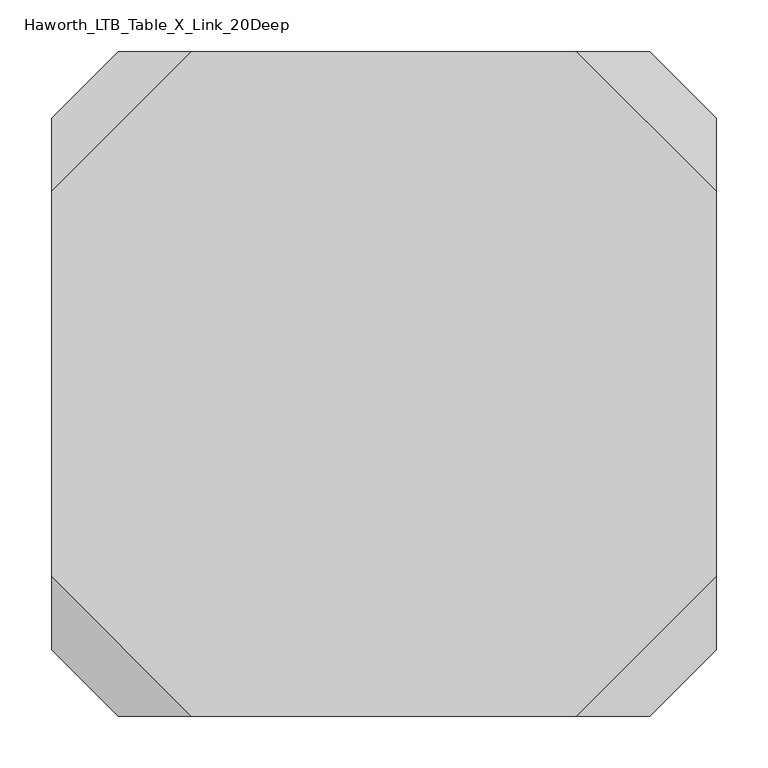
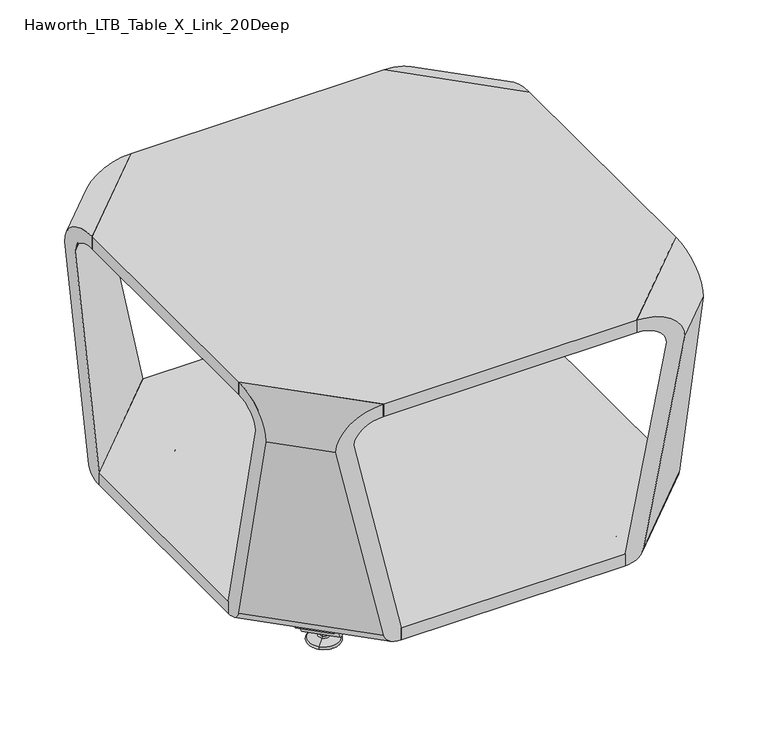
"""IFC4 building model written with IfcOpenShell, lengths in millimetres: furniture geometry, Haworth_LTB_Table_X_Link_20Deep."""

from ifc_helpers import new_model, si_unit, point, frame, frame_2d, origin, place, context, project, spatial, polyline, circle_curve, ellipse_curve, trimmed, segment, composite_curve, outline, extrude, source, transform, mapped, element, save
from ifc_brep_helpers import plane_surface, cylinder_surface, revolved_surface, advanced_brep


def haworth_ltb_table_x_link_20deep_5d3b9bbd(model_context):
    return source(origin(), model_context, "Body", "SolidModel", [
        extrude(outline(polyline([(123.855675, 689.2395615), (275.9606478, 841.3445342), (613.1005146, 841.3445342), (765.205675, 689.2393738), (765.205675, 352.0996981), (613.1005112, 199.9945342), (284.7619726, 199.9945342), (123.855675, 360.9008317), (123.855675, 689.2395615)])), frame((0.0, 0.0, 50.0000004), z_axis=(0.0, 0.0, 1.0), x_axis=(1.0, 0.0, 0.0)), (0.0, 0.0, 1.0), 18.9999985),
        extrude(outline(polyline([(123.855675, 334.8572138), (123.855675, 706.4818546), (258.7183546, 841.3445342), (630.3429954, 841.3445342), (765.205675, 706.4818546), (765.205675, 334.8572138), (630.3429954, 199.9945342), (258.7183546, 199.9945342), (123.855675, 334.8572138)])), frame((0.0, 0.0, 406.0000002), z_axis=(0.0, 0.0, 1.0), x_axis=(1.0, 0.0, 0.0)), (0.0, 0.0, 1.0), 19.4499998),
        advanced_brep(
        [(765.205675, 706.4818546, 425.45), (765.205675, 706.4818546, 406.0000002), (765.205675, 750.2911718, 376.1711523), (765.205675, 689.2394841, 68.9999989), (765.205675, 689.2394478, 50.0000004), (765.205675, 715.8480344, 66.3557108), (765.205675, 777.1925821, 375.0000029), (630.3429954, 841.3445342, 406.0000002), (630.3429954, 841.3445342, 425.45), (701.0537229, 841.3445342, 375.0000029), (639.7091752, 841.3445342, 66.3557108), (613.1005886, 841.3445342, 50.0000004), (613.1006249, 841.3445342, 68.9999989), (674.1523126, 841.3445342, 376.1711523)],
        [
            (0, 1),
            (1, 2, ellipse_curve(frame((765.205675, 706.4818526, 375.0000031), z_axis=(-1.0, 0.0, 0.0), x_axis=(0.0, 1.0, 0.0)), 43.8406163, 30.9999971)),
            (2, 3),
            (3, 4),
            (4, 5, ellipse_curve(frame((765.205675, 689.2394737, 69.000001), z_axis=(1.0, 0.0, 0.0), x_axis=(0.0, -1.0, 0.0)), 26.8700585, 19.0000006)),
            (5, 6),
            (6, 0, ellipse_curve(frame((765.205675, 705.6435015, 374.8604405), z_axis=(1.0, 0.0, 0.0), x_axis=(0.0, -1.0, 0.0)), 71.5493529, 50.5930326)),
            (7, 8),
            (8, 9, ellipse_curve(frame((629.5046423, 841.3445342, 374.8604405), z_axis=(0.0, 1.0, 0.0), x_axis=(1.0, 0.0, 0.0)), 71.5493529, 50.5930326)),
            (9, 10),
            (10, 11, ellipse_curve(frame((613.1006145, 841.3445342, 69.000001), z_axis=(0.0, 1.0, 0.0), x_axis=(1.0, 0.0, 0.0)), 26.8700585, 19.0000006)),
            (11, 12),
            (12, 13),
            (13, 7, ellipse_curve(frame((630.3429934, 841.3445342, 375.0000031), z_axis=(0.0, -1.0, 0.0), x_axis=(-1.0, 0.0, 0.0)), 43.8406163, 30.9999971)),
            (7, 1),
            (0, 8),
            (13, 2),
            (12, 3),
            (11, 4),
            (10, 5),
            (9, 6),
        ],
        [
            plane_surface(frame((765.205675, 916.3539092, 476.25), z_axis=(1.0, 0.0, 0.0), x_axis=(0.0, 0.0, -1.0))),
            plane_surface(frame((48.8463, 841.3445342, 476.25), z_axis=(0.0, 1.0, 0.0), x_axis=(0.0, 0.0, -1.0))),
            plane_surface(frame((823.4979209, 648.1896087, 425.45), z_axis=(-0.7071067811865491, -0.707106781186546, 0.0), x_axis=(-0.707106781186546, 0.7071067811865491, 0.0))),
            revolved_surface(polyline([(630.3429934161734, 885.1851505161733, 375.0000031), (809.0462913161731, 706.4818526161728, 375.0000031)]), (572.0507485, 899.6367791, 375.0000031), (-0.707106781186546, 0.7071067811865491, 0.0)),
            plane_surface(frame((845.4025795, 670.0942673, 376.1711523), z_axis=(-0.7002252753679965, -0.7002252753679934, 0.13917301272743787), x_axis=(-0.707106781186546, 0.7071067811865491, 0.0))),
            plane_surface(frame((814.8767357, 639.5684235, 68.9999989), z_axis=(-0.7071067811859026, -0.7071067811858995, 1.352248489364839e-06), x_axis=(-0.707106781186546, 0.7071067811865491, 0.0))),
            cylinder_surface(frame((563.4295591, 891.0155896, 69.000001), z_axis=(0.707106781186546, -0.7071067811865491, 0.0), x_axis=(0.7071067811865491, 0.707106781186546, 0.0)), 19.0000006),
            plane_surface(frame((828.1810108, 652.8726986, 66.3557108), z_axis=(0.7002252605744773, 0.700225260574474, -0.13917316158949414), x_axis=(-0.7071067811865458, 0.7071067811865492, 0.0))),
            cylinder_surface(frame((571.631573, 899.2176035, 374.8604405), z_axis=(0.707106781186546, -0.7071067811865491, 0.0), x_axis=(0.7071067811865491, 0.707106781186546, 0.0)), 50.5930326),
        ],
        [
            (0, [[1, 2, 3, 4, 5, 6, 7]]),
            (1, [[8, 9, 10, 11, 12, 13, 14]]),
            (2, [[-8, 15, -1, 16]]),
            (3, [[-14, 17, -2, -15]]),
            (4, [[-13, 18, -3, -17]]),
            (5, [[-12, 19, -4, -18]]),
            (6, [[-11, 20, -5, -19]]),
            (7, [[-10, 21, -6, -20]]),
            (8, [[-9, -16, -7, -21]]),
        ],
    ),
        advanced_brep(
        [(123.855675, 706.4818546, 406.0000002), (123.855675, 706.4818546, 425.45), (123.855675, 777.1925821, 375.0000029), (123.855675, 715.8480344, 66.3557108), (123.855675, 689.2394478, 50.0000004), (123.855675, 689.2394841, 68.9999989), (123.855675, 750.2911718, 376.1711523), (258.7183546, 841.3445342, 406.0000002), (258.7183546, 841.3445342, 425.45), (214.9090374, 841.3445342, 376.1711523), (275.9607252, 841.3445342, 68.9999989), (275.9607615, 841.3445342, 50.0000004), (249.3521749, 841.3445342, 66.3557108), (188.0076271, 841.3445342, 375.0000029)],
        [
            (0, 1),
            (1, 2, ellipse_curve(frame((123.855675, 705.6435015, 374.8604405), z_axis=(-1.0, 0.0, 0.0), x_axis=(0.0, -1.0, 0.0)), 71.5493529, 50.5930326)),
            (2, 3),
            (3, 4, ellipse_curve(frame((123.855675, 689.2394737, 69.000001), z_axis=(-1.0, 0.0, 0.0), x_axis=(0.0, -1.0, 0.0)), 26.8700585, 19.0000006)),
            (4, 5),
            (5, 6),
            (6, 0, ellipse_curve(frame((123.855675, 706.4818526, 375.0000031), z_axis=(1.0, 0.0, 0.0), x_axis=(0.0, 1.0, 0.0)), 43.8406163, 30.9999971)),
            (7, 8),
            (8, 1),
            (0, 7),
            (9, 7, ellipse_curve(frame((258.7183567, 841.3445342, 375.0000031), z_axis=(0.0, 1.0, 0.0), x_axis=(1.0, 0.0, 0.0)), 43.8406163, 30.9999971)),
            (6, 9),
            (10, 9),
            (5, 10),
            (11, 10),
            (4, 11),
            (12, 11, ellipse_curve(frame((275.9607356, 841.3445342, 69.000001), z_axis=(0.0, -1.0, 0.0), x_axis=(-1.0, 0.0, 0.0)), 26.8700585, 19.0000006)),
            (3, 12),
            (13, 12),
            (2, 13),
            (8, 13, ellipse_curve(frame((259.5567078, 841.3445342, 374.8604405), z_axis=(0.0, -1.0, 0.0), x_axis=(-1.0, 0.0, 0.0)), 71.5493529, 50.5930326)),
        ],
        [
            plane_surface(frame((123.855675, 124.9851592, 476.25), z_axis=(-1.0, 0.0, 0.0), x_axis=(0.0, 0.0, -1.0))),
            plane_surface(frame((65.5634291, 648.1896087, 406.0000002), z_axis=(0.7071067811865491, -0.707106781186546, 0.0), x_axis=(0.707106781186546, 0.7071067811865491, 0.0))),
            revolved_surface(polyline([(258.71835668382664, 885.1851505161732, 375.0000031), (80.01505873382709, 706.4818525661728, 375.0000031)]), (317.0106016, 899.6367791, 375.0000031), (0.707106781186546, 0.7071067811865491, 0.0)),
            plane_surface(frame((74.1846144, 639.5684235, 68.9999989), z_axis=(0.7002252753679965, -0.7002252753679933, 0.13917301272743782), x_axis=(0.7071067811865459, 0.7071067811865491, 0.0))),
            plane_surface(frame((74.1846326, 639.5684053, 50.0000004), z_axis=(0.7071067811859026, -0.7071067811858994, 1.352248489364839e-06), x_axis=(0.7071067811865459, 0.7071067811865491, 0.0))),
            cylinder_surface(frame((325.631791, 891.0155896, 69.000001), z_axis=(-0.707106781186546, -0.7071067811865491, 0.0), x_axis=(-0.7071067811865491, 0.707106781186546, 0.0)), 19.0000006),
            plane_surface(frame((30.2080654, 683.5449725, 375.0000029), z_axis=(-0.7002252605744772, 0.7002252605744741, -0.1391731615894943), x_axis=(0.707106781186546, 0.7071067811865491, 0.0))),
            cylinder_surface(frame((317.4297771, 899.2176035, 374.8604405), z_axis=(-0.707106781186546, -0.7071067811865491, 0.0), x_axis=(-0.7071067811865491, 0.707106781186546, 0.0)), 50.5930326),
            plane_surface(frame((48.8463, 841.3445342, 476.25), z_axis=(0.0, 1.0, 0.0), x_axis=(0.0, 0.0, -1.0))),
        ],
        [
            (0, [[1, 2, 3, 4, 5, 6, 7]]),
            (1, [[8, 9, -1, 10]]),
            (2, [[11, -10, -7, 12]]),
            (3, [[13, -12, -6, 14]]),
            (4, [[15, -14, -5, 16]]),
            (5, [[17, -16, -4, 18]]),
            (6, [[19, -18, -3, 20]]),
            (7, [[21, -20, -2, -9]]),
            (8, [[-8, -11, -13, -15, -17, -19, -21]]),
        ],
    ),
        advanced_brep(
        [(630.3429954, 199.9945342, 425.45), (630.3429954, 199.9945342, 406.0000002), (674.1523126, 199.9945342, 376.1711523), (613.1006249, 199.9945342, 68.9999989), (613.1005886, 199.9945342, 50.0000004), (639.7091752, 199.9945342, 66.3557108), (701.0537229, 199.9945342, 375.0000029), (765.205675, 334.8572138, 425.45), (765.205675, 334.8572138, 406.0000002), (765.205675, 291.0478966, 376.1711523), (765.205675, 352.0995843, 68.9999989), (765.205675, 352.0996207, 50.0000004), (765.205675, 325.4910341, 66.3557108), (765.205675, 264.1464863, 375.0000029)],
        [
            (0, 1),
            (1, 2, ellipse_curve(frame((630.3429934, 199.9945342, 375.0000031), z_axis=(0.0, 1.0, 0.0), x_axis=(-1.0, 0.0, 0.0)), 43.8406163, 30.9999971)),
            (2, 3),
            (3, 4),
            (4, 5, ellipse_curve(frame((613.1006145, 199.9945342, 69.000001), z_axis=(0.0, -1.0, 0.0), x_axis=(1.0, 0.0, 0.0)), 26.8700585, 19.0000006)),
            (5, 6),
            (6, 0, ellipse_curve(frame((629.5046423, 199.9945342, 374.8604405), z_axis=(0.0, -1.0, 0.0), x_axis=(1.0, 0.0, 0.0)), 71.5493529, 50.5930326)),
            (0, 7),
            (7, 8),
            (8, 1),
            (8, 9, ellipse_curve(frame((765.205675, 334.8572159, 375.0000031), z_axis=(1.0, 0.0, 0.0), x_axis=(0.0, -1.0, 0.0)), 43.8406163, 30.9999971)),
            (9, 2),
            (9, 10),
            (10, 3),
            (10, 11),
            (11, 4),
            (11, 12, ellipse_curve(frame((765.205675, 352.0995948, 69.000001), z_axis=(-1.0, 0.0, 0.0), x_axis=(0.0, 1.0, 0.0)), 26.8700585, 19.0000006)),
            (12, 5),
            (12, 13),
            (13, 6),
            (13, 7, ellipse_curve(frame((765.205675, 335.695567, 374.8604405), z_axis=(-1.0, 0.0, 0.0), x_axis=(0.0, 1.0, 0.0)), 71.5493529, 50.5930326)),
        ],
        [
            plane_surface(frame((915.224425, 199.9945342, 476.25), z_axis=(0.0, -1.0, 0.0), x_axis=(0.0, 0.0, -1.0))),
            plane_surface(frame((823.4979209, 393.1494597, 406.0000002), z_axis=(-0.707106781186549, 0.7071067811865461, 0.0), x_axis=(-0.7071067811865461, -0.707106781186549, 0.0))),
            revolved_surface(polyline([(630.3429933661733, 156.15391793382682, 375.0000031), (809.0462913161731, 334.8572158838273, 375.0000031)]), (572.0507485, 141.7022894, 375.0000031), (-0.707106781186546, -0.7071067811865491, 0.0)),
            plane_surface(frame((814.8767357, 401.770645, 68.9999989), z_axis=(-0.7002252753679965, 0.7002252753679933, 0.13917301272743776), x_axis=(-0.7071067811865459, -0.7071067811865491, 0.0))),
            plane_surface(frame((814.8767175, 401.7706631, 50.0000004), z_axis=(-0.7071067811859026, 0.7071067811858995, 1.3522484888926165e-06), x_axis=(-0.707106781186546, -0.7071067811865491, 0.0))),
            cylinder_surface(frame((563.4295591, 150.3234788, 69.000001), z_axis=(0.707106781186546, 0.7071067811865491, 0.0), x_axis=(0.7071067811865491, -0.707106781186546, 0.0)), 19.0000006),
            plane_surface(frame((858.8532847, 357.794096, 375.0000029), z_axis=(0.7002252605744772, -0.7002252605744741, -0.13917316158949425), x_axis=(-0.707106781186546, -0.7071067811865491, 0.0))),
            cylinder_surface(frame((571.631573, 142.1214649, 374.8604405), z_axis=(0.707106781186546, 0.7071067811865491, 0.0), x_axis=(0.7071067811865491, -0.707106781186546, 0.0)), 50.5930326),
            plane_surface(frame((765.205675, 916.3539092, 476.25), z_axis=(1.0, 0.0, 0.0), x_axis=(0.0, 0.0, -1.0))),
        ],
        [
            (0, [[1, 2, 3, 4, 5, 6, 7]]),
            (1, [[-1, 8, 9, 10]]),
            (2, [[-2, -10, 11, 12]]),
            (3, [[-3, -12, 13, 14]]),
            (4, [[-4, -14, 15, 16]]),
            (5, [[-5, -16, 17, 18]]),
            (6, [[-6, -18, 19, 20]]),
            (7, [[-7, -20, 21, -8]]),
            (8, [[-9, -21, -19, -17, -15, -13, -11]]),
        ],
    ),
        advanced_brep(
        [(258.7183546, 199.9945342, 425.45), (258.7183546, 199.9945342, 406.0000002), (123.855675, 334.8572138, 406.0000002), (123.855675, 334.8572138, 425.45), (214.9090374, 199.9945342, 376.1711523), (123.855675, 291.0478966, 376.1711523), (284.7619726, 199.9945342, 68.9999989), (123.855675, 360.9008317, 68.9999989), (284.7619726, 199.9945342, 49.9999749), (123.855675, 360.9008317, 49.9999749), (258.153386, 199.9945342, 66.3557108), (123.855675, 334.2922451, 66.3557108), (188.0076271, 199.9945342, 375.0000029), (123.855675, 264.1464863, 375.0000029)],
        [
            (0, 1),
            (1, 2),
            (2, 3),
            (3, 0),
            (1, 4, ellipse_curve(frame((258.7183567, 199.9945342, 375.0000031), z_axis=(0.0, -1.0, 0.0), x_axis=(1.0, 0.0, 0.0)), 43.8406163, 30.9999971)),
            (4, 5),
            (5, 2, ellipse_curve(frame((123.855675, 334.8572159, 375.0000031), z_axis=(-1.0, 0.0, 0.0), x_axis=(0.0, -1.0, 0.0)), 43.8406163, 30.9999971)),
            (4, 6),
            (6, 7),
            (7, 5),
            (6, 8),
            (8, 9),
            (9, 7),
            (8, 10, ellipse_curve(frame((284.761983, 199.9945342, 69.000001), z_axis=(0.0, 1.0, 0.0), x_axis=(-1.0, 0.0, 0.0)), 26.8700945, 19.000026)),
            (10, 11),
            (11, 9, ellipse_curve(frame((123.855675, 360.9008422, 69.000001), z_axis=(1.0, 0.0, 0.0), x_axis=(0.0, 1.0, 0.0)), 26.8700945, 19.000026)),
            (10, 12),
            (12, 13),
            (13, 11),
            (12, 0, ellipse_curve(frame((259.5567078, 199.9945342, 374.8604405), z_axis=(0.0, 1.0, 0.0), x_axis=(-1.0, 0.0, 0.0)), 71.5493529, 50.5930326)),
            (3, 13, ellipse_curve(frame((123.855675, 335.695567, 374.8604405), z_axis=(1.0, 0.0, 0.0), x_axis=(0.0, 1.0, 0.0)), 71.5493529, 50.5930326)),
        ],
        [
            plane_surface(frame((65.5634291, 393.1494597, 425.45), z_axis=(0.7071067811865491, 0.7071067811865459, 0.0), x_axis=(0.7071067811865459, -0.7071067811865491, 0.0))),
            revolved_surface(polyline([(258.7183567338267, 156.15391793382685, 375.0000031), (80.01505873382703, 334.85721593382726, 375.0000031)]), (317.0106016, 141.7022894, 375.0000031), (0.707106781186546, -0.7071067811865491, 0.0)),
            plane_surface(frame((43.6587705, 371.2448011, 376.1711523), z_axis=(0.6981384941053858, 0.6981384941053826, 0.15876172742992242), x_axis=(0.7071067811865459, -0.7071067811865491, 0.0))),
            plane_surface(frame((78.5852381, 406.1712687, 68.9999989), z_axis=(0.7071067811865492, 0.7071067811865458, 0.0), x_axis=(0.7071067811865458, -0.7071067811865492, 0.0))),
            cylinder_surface(frame((330.0324147, 154.7241025, 69.000001), z_axis=(-0.707106781186546, 0.7071067811865491, 0.0), x_axis=(-0.7071067811865491, -0.707106781186546, 0.0)), 19.000026),
            plane_surface(frame((65.2809448, 392.8669754, 66.3557108), z_axis=(-0.6981490657558722, -0.6981490657558691, -0.15866872397675041), x_axis=(0.707106781186546, -0.7071067811865491, 0.0))),
            cylinder_surface(frame((317.4297771, 142.1214649, 374.8604405), z_axis=(-0.707106781186546, 0.7071067811865491, 0.0), x_axis=(-0.7071067811865491, -0.707106781186546, 0.0)), 50.5930326),
            plane_surface(frame((915.224425, 199.9945342, 476.25), z_axis=(0.0, -1.0, 0.0), x_axis=(0.0, 0.0, -1.0))),
            plane_surface(frame((123.855675, 124.9851592, 476.25), z_axis=(-1.0, 0.0, 0.0), x_axis=(0.0, 0.0, -1.0))),
        ],
        [
            (0, [[1, 2, 3, 4]]),
            (1, [[5, 6, 7, -2]]),
            (2, [[8, 9, 10, -6]]),
            (3, [[11, 12, 13, -9]]),
            (4, [[14, 15, 16, -12]]),
            (5, [[17, 18, 19, -15]]),
            (6, [[20, -4, 21, -18]]),
            (7, [[-1, -20, -17, -14, -11, -8, -5]]),
            (8, [[-3, -7, -10, -13, -16, -19, -21]]),
        ],
    ),
        advanced_brep(
        [(239.0054742, 315.0121224, 7.8133431), (232.2702821, 308.2769303, 7.8133431), (229.9834824, 305.9901306, 7.8133431), (241.2922739, 317.2989221, 7.8133431), (220.1247494, 296.1313976, 4.0775), (251.1510069, 327.1576551, 4.0775), (220.4150529, 296.4217012, 0.0), (250.8607033, 326.8673516, 0.0), (235.6378781, 311.6445264, 0.0), (235.6378781, 311.6445264, 50.0000004), (232.2702821, 308.2769303, 50.0000004), (239.0054742, 315.0121224, 50.0000004)],
        [
            (0, 1, circle_curve(frame((235.6378781, 311.6445264, 7.8133431), z_axis=(0.0, 0.0, -1.0), x_axis=(-0.7071067811865458, -0.7071067811865493, 0.0)), 4.7625)),
            (1, 2),
            (2, 3, circle_curve(frame((235.6378781, 311.6445264, 7.8133431), z_axis=(0.0, 0.0, 1.0), x_axis=(-0.7071067811865458, -0.7071067811865493, 0.0)), 7.9965232)),
            (3, 0),
            (1, 0, circle_curve(frame((235.6378781, 311.6445264, 7.8133431), z_axis=(0.0, 0.0, -1.0), x_axis=(-0.7071067811865458, -0.7071067811865493, 0.0)), 4.7625)),
            (3, 2, circle_curve(frame((235.6378781, 311.6445264, 7.8133431), z_axis=(0.0, 0.0, 1.0), x_axis=(-0.7071067811865458, -0.7071067811865493, 0.0)), 7.9965232)),
            (2, 4),
            (4, 5, circle_curve(frame((235.6378781, 311.6445264, 4.0775), z_axis=(0.0, 0.0, 1.0), x_axis=(-0.7071067811865458, -0.7071067811865493, 0.0)), 21.9388771)),
            (5, 3),
            (5, 4, circle_curve(frame((235.6378781, 311.6445264, 4.0775), z_axis=(0.0, 0.0, 1.0), x_axis=(-0.7071067811865458, -0.7071067811865493, 0.0)), 21.9388771)),
            (4, 6, circle_curve(frame((220.5046942, 296.5113425, 2.0721829), z_axis=(0.7071067811865493, -0.7071067811865458, 0.0), x_axis=(0.7071067811865458, 0.7071067811865493, 0.0)), 2.0760571)),
            (6, 7, circle_curve(frame((235.6378781, 311.6445264, 0.0), z_axis=(0.0, 0.0, 1.0), x_axis=(-0.7071067811865458, -0.7071067811865493, 0.0)), 21.5283258)),
            (7, 5, circle_curve(frame((250.771062, 326.7777103, 2.0721829), z_axis=(0.707106781186547, -0.7071067811865481, 0.0), x_axis=(-0.7071067811865481, -0.707106781186547, 0.0)), 2.0760571)),
            (7, 6, circle_curve(frame((235.6378781, 311.6445264, 0.0), z_axis=(0.0, 0.0, 1.0), x_axis=(-0.7071067811865458, -0.7071067811865493, 0.0)), 21.5283258)),
            (6, 8),
            (8, 7),
            (9, 10),
            (10, 11, circle_curve(frame((235.6378781, 311.6445264, 50.0000004), z_axis=(0.0, 0.0, 1.0), x_axis=(-0.7071067811865458, -0.7071067811865493, 0.0)), 4.7625)),
            (11, 9),
            (11, 10, circle_curve(frame((235.6378781, 311.6445264, 50.0000004), z_axis=(0.0, 0.0, 1.0), x_axis=(-0.7071067811865458, -0.7071067811865493, 0.0)), 4.7625)),
            (10, 1),
            (0, 11),
        ],
        [
            plane_surface(frame((235.6378781, 311.6445264, 7.8133431), z_axis=(0.0, 0.0, 1.0), x_axis=(-0.7071067811865458, -0.7071067811865493, 0.0))),
            revolved_surface(polyline([(220.1247494, 296.1313976, 4.0775), (229.9834824, 305.9901306, 7.8133431)]), (235.6378781, 311.6445264, 0.0), (0.0, 0.0, 1.0)),
            revolved_surface(trimmed(ellipse_curve(frame((220.5046942, 296.5113425, 2.0721829), z_axis=(-0.7071067811865493, 0.7071067811865458, 0.0), x_axis=(0.7071067811865458, 0.7071067811865493, 0.0)), 2.0760571, 2.0760571), [point((220.4150529, 296.4217012, 0.0))], [point((220.1247494, 296.1313976, 4.0775))], True, "CARTESIAN"), (235.6378781, 311.6445264, 0.0), (0.0, 0.0, 1.0)),
            plane_surface(frame((235.6378781, 311.6445264, 0.0), z_axis=(0.0, 0.0, -1.0), x_axis=(-0.7071067811865458, -0.7071067811865493, 0.0))),
            plane_surface(frame((235.6378781, 311.6445264, 50.0000004), z_axis=(0.0, 0.0, 1.0), x_axis=(-0.7071067811865458, -0.7071067811865493, 0.0))),
            cylinder_surface(frame((235.6378781, 311.6445264, 0.0), z_axis=(0.0, 0.0, 1.0), x_axis=(-0.7071067811865458, -0.7071067811865493, 0.0)), 4.7625),
        ],
        [
            (0, [[1, 2, 3, 4]]),
            (0, [[5, -4, 6, -2]]),
            (1, [[-3, 7, 8, 9]]),
            (1, [[-6, -9, 10, -7]]),
            (2, [[-8, 11, 12, 13]]),
            (2, [[-10, -13, 14, -11]]),
            (3, [[-12, 15, 16]]),
            (3, [[-14, -16, -15]]),
            (4, [[17, 18, 19]]),
            (4, [[-19, 20, -17]]),
            (5, [[-18, 21, -1, 22]]),
            (5, [[-20, -22, -5, -21]]),
        ],
    ),
        extrude(outline(composite_curve([segment(polyline([(9.310002, 9.3100019), (9.310002, 19.1875394)]), True, "CONTINUOUS"), segment(trimmed(circle_curve(frame_2d((0.0, 19.1875394)), 9.310002), [point((9.310002, 19.1875394))], [point((0.7937553, 28.4636425))], True, "CARTESIAN"), True, "CONTINUOUS"), segment(polyline([(0.7937553, 28.4636425), (-6.9117032, 29.1229979)]), True, "CONTINUOUS"), segment(trimmed(circle_curve(frame_2d((-4.8241067, 43.9770199)), 15.000001), [point((-6.9117032, 29.1229979))], [point((-19.8241077, 43.9770199))], False, "CARTESIAN"), True, "CONTINUOUS"), segment(polyline([(-19.8241077, 43.9770199), (-19.8241077, 59.4425545), (-14.1341071, 59.4425545), (-14.1341071, 43.9770213)]), True, "CONTINUOUS"), segment(trimmed(circle_curve(frame_2d((-4.8241051, 43.9770213)), 9.310002), [point((-14.1341071, 43.9770213))], [point((-6.1198051, 34.7576234))], True, "CARTESIAN"), True, "CONTINUOUS"), segment(polyline([(-6.1198051, 34.7576234), (1.7775308, 34.0818491)]), True, "CONTINUOUS"), segment(trimmed(circle_curve(frame_2d((1.6e-06, 19.1875408)), 15.000001), [point((1.7775308, 34.0818491))], [point((15.0000026, 19.1875408))], False, "CARTESIAN"), True, "CONTINUOUS"), segment(polyline([(15.0000026, 19.1875408), (15.0000026, 9.3100005)]), True, "CONTINUOUS"), segment(trimmed(circle_curve(frame_2d((1.6e-06, 9.3100005)), 15.000001), [point((15.0000026, 9.3100005))], [point((1.7775308, -5.5843078))], False, "CARTESIAN"), True, "CONTINUOUS"), segment(polyline([(1.7775308, -5.5843078), (-6.1198051, -6.2600821)]), True, "CONTINUOUS"), segment(trimmed(circle_curve(frame_2d((-4.8241051, -15.47948)), 9.310002), [point((-6.1198051, -6.2600821))], [point((-14.1341071, -15.47948))], True, "CARTESIAN"), True, "CONTINUOUS"), segment(polyline([(-14.1341071, -15.47948), (-14.1341071, -30.9450132), (-19.8241077, -30.9450132), (-19.8241077, -15.4794786)]), True, "CONTINUOUS"), segment(trimmed(circle_curve(frame_2d((-4.8241067, -15.4794786)), 15.000001), [point((-19.8241077, -15.4794786))], [point((-6.9117032, -0.6254566))], False, "CARTESIAN"), True, "CONTINUOUS"), segment(polyline([(-6.9117032, -0.6254566), (0.7937553, 0.0338988)]), True, "CONTINUOUS"), segment(trimmed(circle_curve(frame_2d((0.0, 9.3100019)), 9.310002), [point((0.7937553, 0.0338988))], [point((9.310002, 9.3100019))], True, "CARTESIAN"), True, "CONTINUOUS")], self_intersect=False)), frame((263.6737927, 303.7594165, 30.0000023), z_axis=(-0.7071067811865467, 0.7071067811865483, 0.0), x_axis=(0.0, 0.0, -1.0)), (0.0, 0.0, 1.0), 50.8),
        advanced_brep(
        [(647.7690762, 317.2989221, 7.8133431), (659.0778677, 305.9901306, 7.8133431), (656.791068, 308.2769303, 7.8133431), (650.0558759, 315.0121224, 7.8133431), (637.9103432, 327.1576551, 4.0775), (668.9366007, 296.1313976, 4.0775), (638.2006468, 326.8673516, 0.0), (668.6462971, 296.4217012, 0.0), (653.4234719, 311.6445264, 0.0), (650.0558759, 315.0121224, 50.0000004), (656.791068, 308.2769303, 50.0000004), (653.4234719, 311.6445264, 50.0000004)],
        [
            (0, 1, circle_curve(frame((653.4234719, 311.6445264, 7.8133431), z_axis=(0.0, 0.0, 1.0), x_axis=(0.7071067811865458, -0.7071067811865493, 0.0)), 7.9965232)),
            (1, 2),
            (2, 3, circle_curve(frame((653.4234719, 311.6445264, 7.8133431), z_axis=(0.0, 0.0, -1.0), x_axis=(0.7071067811865458, -0.7071067811865493, 0.0)), 4.7625)),
            (3, 0),
            (1, 0, circle_curve(frame((653.4234719, 311.6445264, 7.8133431), z_axis=(0.0, 0.0, 1.0), x_axis=(0.7071067811865458, -0.7071067811865493, 0.0)), 7.9965232)),
            (3, 2, circle_curve(frame((653.4234719, 311.6445264, 7.8133431), z_axis=(0.0, 0.0, -1.0), x_axis=(0.7071067811865458, -0.7071067811865493, 0.0)), 4.7625)),
            (4, 5, circle_curve(frame((653.4234719, 311.6445264, 4.0775), z_axis=(0.0, 0.0, 1.0), x_axis=(0.7071067811865458, -0.7071067811865493, 0.0)), 21.9388771)),
            (5, 1),
            (0, 4),
            (5, 4, circle_curve(frame((653.4234719, 311.6445264, 4.0775), z_axis=(0.0, 0.0, 1.0), x_axis=(0.7071067811865458, -0.7071067811865493, 0.0)), 21.9388771)),
            (6, 7, circle_curve(frame((653.4234719, 311.6445264, 0.0), z_axis=(0.0, 0.0, 1.0), x_axis=(0.7071067811865458, -0.7071067811865493, 0.0)), 21.5283258)),
            (7, 5, circle_curve(frame((668.5566558, 296.5113425, 2.0721829), z_axis=(-0.7071067811865493, -0.7071067811865458, 0.0), x_axis=(-0.7071067811865458, 0.7071067811865493, 0.0)), 2.0760571)),
            (4, 6, circle_curve(frame((638.2902881, 326.7777103, 2.0721829), z_axis=(-0.707106781186547, -0.7071067811865481, 0.0), x_axis=(0.7071067811865481, -0.707106781186547, 0.0)), 2.0760571)),
            (7, 6, circle_curve(frame((653.4234719, 311.6445264, 0.0), z_axis=(0.0, 0.0, 1.0), x_axis=(0.7071067811865458, -0.7071067811865493, 0.0)), 21.5283258)),
            (8, 7),
            (6, 8),
            (9, 10, circle_curve(frame((653.4234719, 311.6445264, 50.0000004), z_axis=(0.0, 0.0, 1.0), x_axis=(0.7071067811865458, -0.7071067811865493, 0.0)), 4.7625)),
            (10, 11),
            (11, 9),
            (10, 9, circle_curve(frame((653.4234719, 311.6445264, 50.0000004), z_axis=(0.0, 0.0, 1.0), x_axis=(0.7071067811865458, -0.7071067811865493, 0.0)), 4.7625)),
            (2, 10),
            (9, 3),
        ],
        [
            plane_surface(frame((653.4234719, 311.6445264, 7.8133431), z_axis=(0.0, 0.0, 1.0), x_axis=(0.7071067811865458, -0.7071067811865493, 0.0))),
            revolved_surface(polyline([(659.0778677, 305.9901306, 7.8133431), (668.9366007, 296.1313976, 4.0775)]), (653.4234719, 311.6445264, 0.0), (0.0, 0.0, -1.0)),
            revolved_surface(trimmed(ellipse_curve(frame((668.5566558, 296.5113425, 2.0721829), z_axis=(0.7071067811865493, 0.7071067811865458, 0.0), x_axis=(-0.7071067811865458, 0.7071067811865493, 0.0)), 2.0760571, 2.0760571), [point((668.9366007, 296.1313976, 4.0775))], [point((668.6462971, 296.4217012, 0.0))], True, "CARTESIAN"), (653.4234719, 311.6445264, 0.0), (0.0, 0.0, -1.0)),
            plane_surface(frame((653.4234719, 311.6445264, 0.0), z_axis=(0.0, 0.0, -1.0), x_axis=(0.7071067811865458, -0.7071067811865493, 0.0))),
            plane_surface(frame((653.4234719, 311.6445264, 50.0000004), z_axis=(0.0, 0.0, 1.0), x_axis=(0.7071067811865458, -0.7071067811865493, 0.0))),
            cylinder_surface(frame((653.4234719, 311.6445264, 0.0), z_axis=(0.0, 0.0, -1.0), x_axis=(0.7071067811865458, -0.7071067811865493, 0.0)), 4.7625),
        ],
        [
            (0, [[1, 2, 3, 4]]),
            (0, [[5, -4, 6, -2]]),
            (1, [[7, 8, -1, 9]]),
            (1, [[10, -9, -5, -8]]),
            (2, [[11, 12, -7, 13]]),
            (2, [[14, -13, -10, -12]]),
            (3, [[15, -11, 16]]),
            (3, [[-16, -14, -15]]),
            (4, [[17, 18, 19]]),
            (4, [[20, -19, -18]]),
            (5, [[-3, 21, -17, 22]]),
            (5, [[-6, -22, -20, -21]]),
        ],
    ),
        extrude(outline(composite_curve([segment(trimmed(circle_curve(frame_2d((-42.6726288, 9.310002)), 9.310002), [point((-42.6726288, 0.0))], [point((-33.3965256, 8.5162467))], True, "CARTESIAN"), True, "CONTINUOUS"), segment(polyline([(-33.3965256, 8.5162467), (-32.7371703, 16.2217052)]), True, "CONTINUOUS"), segment(trimmed(circle_curve(frame_2d((-17.8831482, 14.1341087)), 15.000001), [point((-32.7371703, 16.2217052))], [point((-17.8831482, 29.1341097))], False, "CARTESIAN"), True, "CONTINUOUS"), segment(polyline([(-17.8831482, 29.1341097), (-2.4176136, 29.1341097), (-2.4176136, 23.4441091), (-17.8831468, 23.4441091)]), True, "CONTINUOUS"), segment(trimmed(circle_curve(frame_2d((-17.8831468, 14.1341071)), 9.310002), [point((-17.8831468, 23.4441091))], [point((-27.1025448, 15.4298071))], True, "CARTESIAN"), True, "CONTINUOUS"), segment(polyline([(-27.1025448, 15.4298071), (-27.7783191, 7.5324712)]), True, "CONTINUOUS"), segment(trimmed(circle_curve(frame_2d((-42.6726274, 9.3100004)), 15.000001), [point((-27.7783191, 7.5324712))], [point((-42.6726274, -5.6900006))], False, "CARTESIAN"), True, "CONTINUOUS"), segment(polyline([(-42.6726274, -5.6900006), (-52.5501676, -5.6900006)]), True, "CONTINUOUS"), segment(trimmed(circle_curve(frame_2d((-52.5501676, 9.3100004)), 15.000001), [point((-52.5501676, -5.6900006))], [point((-67.4444759, 7.5324712))], False, "CARTESIAN"), True, "CONTINUOUS"), segment(polyline([(-67.4444759, 7.5324712), (-68.1202502, 15.4298071)]), True, "CONTINUOUS"), segment(trimmed(circle_curve(frame_2d((-77.3396482, 14.1341071)), 9.310002), [point((-68.1202502, 15.4298071))], [point((-77.3396482, 23.4441091))], True, "CARTESIAN"), True, "CONTINUOUS"), segment(polyline([(-77.3396482, 23.4441091), (-92.8051814, 23.4441091), (-92.8051814, 29.1341097), (-77.3396468, 29.1341097)]), True, "CONTINUOUS"), segment(trimmed(circle_curve(frame_2d((-77.3396468, 14.1341087)), 15.000001), [point((-77.3396468, 29.1341097))], [point((-62.4856247, 16.2217052))], False, "CARTESIAN"), True, "CONTINUOUS"), segment(polyline([(-62.4856247, 16.2217052), (-61.8262693, 8.5162467)]), True, "CONTINUOUS"), segment(trimmed(circle_curve(frame_2d((-52.5501662, 9.310002)), 9.310002), [point((-61.8262693, 8.5162467))], [point((-52.5501662, 0.0))], True, "CARTESIAN"), True, "CONTINUOUS"), segment(polyline([(-52.5501662, 0.0), (-42.6726288, 0.0)]), True, "CONTINUOUS")], self_intersect=False)), frame((601.7966177, 327.3503562, 20.6900003), z_axis=(0.7071067811865468, 0.7071067811865483, 0.0), x_axis=(-0.7071067811865483, 0.7071067811865468, 0.0)), (0.0, 0.0, 1.0), 50.8),
        advanced_brep(
        [(650.0558759, 726.326946, 7.8133431), (656.791068, 733.0621381, 7.8133431), (659.0778677, 735.3489378, 7.8133431), (647.7690762, 724.0401463, 7.8133431), (668.9366007, 745.2076708, 4.0775), (637.9103432, 714.1814133, 4.0775), (668.6462971, 744.9173672, 0.0), (638.2006468, 714.4717169, 0.0), (653.4234719, 729.694542, 0.0), (653.4234719, 729.694542, 50.0000004), (656.791068, 733.0621381, 50.0000004), (650.0558759, 726.326946, 50.0000004)],
        [
            (0, 1, circle_curve(frame((653.4234719, 729.694542, 7.8133431), z_axis=(0.0, 0.0, -1.0), x_axis=(0.7071067811865458, 0.7071067811865493, 0.0)), 4.7625)),
            (1, 2),
            (2, 3, circle_curve(frame((653.4234719, 729.694542, 7.8133431), z_axis=(0.0, 0.0, 1.0), x_axis=(0.7071067811865458, 0.7071067811865493, 0.0)), 7.9965232)),
            (3, 0),
            (1, 0, circle_curve(frame((653.4234719, 729.694542, 7.8133431), z_axis=(0.0, 0.0, -1.0), x_axis=(0.7071067811865458, 0.7071067811865493, 0.0)), 4.7625)),
            (3, 2, circle_curve(frame((653.4234719, 729.694542, 7.8133431), z_axis=(0.0, 0.0, 1.0), x_axis=(0.7071067811865458, 0.7071067811865493, 0.0)), 7.9965232)),
            (2, 4),
            (4, 5, circle_curve(frame((653.4234719, 729.694542, 4.0775), z_axis=(0.0, 0.0, 1.0), x_axis=(0.7071067811865458, 0.7071067811865493, 0.0)), 21.9388771)),
            (5, 3),
            (5, 4, circle_curve(frame((653.4234719, 729.694542, 4.0775), z_axis=(0.0, 0.0, 1.0), x_axis=(0.7071067811865458, 0.7071067811865493, 0.0)), 21.9388771)),
            (4, 6, circle_curve(frame((668.5566558, 744.8277259, 2.0721829), z_axis=(-0.7071067811865493, 0.7071067811865458, 0.0), x_axis=(-0.7071067811865458, -0.7071067811865493, 0.0)), 2.0760571)),
            (6, 7, circle_curve(frame((653.4234719, 729.694542, 0.0), z_axis=(0.0, 0.0, 1.0), x_axis=(0.7071067811865458, 0.7071067811865493, 0.0)), 21.5283258)),
            (7, 5, circle_curve(frame((638.2902881, 714.5613582, 2.0721829), z_axis=(-0.707106781186547, 0.7071067811865481, 0.0), x_axis=(0.7071067811865481, 0.707106781186547, 0.0)), 2.0760571)),
            (7, 6, circle_curve(frame((653.4234719, 729.694542, 0.0), z_axis=(0.0, 0.0, 1.0), x_axis=(0.7071067811865458, 0.7071067811865493, 0.0)), 21.5283258)),
            (6, 8),
            (8, 7),
            (9, 10),
            (10, 11, circle_curve(frame((653.4234719, 729.694542, 50.0000004), z_axis=(0.0, 0.0, 1.0), x_axis=(0.7071067811865458, 0.7071067811865493, 0.0)), 4.7625)),
            (11, 9),
            (11, 10, circle_curve(frame((653.4234719, 729.694542, 50.0000004), z_axis=(0.0, 0.0, 1.0), x_axis=(0.7071067811865458, 0.7071067811865493, 0.0)), 4.7625)),
            (10, 1),
            (0, 11),
        ],
        [
            plane_surface(frame((653.4234719, 729.694542, 7.8133431), z_axis=(0.0, 0.0, 1.0), x_axis=(0.7071067811865458, 0.7071067811865493, 0.0))),
            revolved_surface(polyline([(668.9366007, 745.2076708, 4.0775), (659.0778677, 735.3489378, 7.8133431)]), (653.4234719, 729.694542, 0.0), (0.0, 0.0, 1.0)),
            revolved_surface(trimmed(ellipse_curve(frame((668.5566558, 744.8277259, 2.0721829), z_axis=(0.7071067811865493, -0.7071067811865458, 0.0), x_axis=(-0.7071067811865458, -0.7071067811865493, 0.0)), 2.0760571, 2.0760571), [point((668.6462971, 744.9173672, 0.0))], [point((668.9366007, 745.2076708, 4.0775))], True, "CARTESIAN"), (653.4234719, 729.694542, 0.0), (0.0, 0.0, 1.0)),
            plane_surface(frame((653.4234719, 729.694542, 0.0), z_axis=(0.0, 0.0, -1.0), x_axis=(0.7071067811865458, 0.7071067811865493, 0.0))),
            plane_surface(frame((653.4234719, 729.694542, 50.0000004), z_axis=(0.0, 0.0, 1.0), x_axis=(0.7071067811865458, 0.7071067811865493, 0.0))),
            cylinder_surface(frame((653.4234719, 729.694542, 0.0), z_axis=(0.0, 0.0, 1.0), x_axis=(0.7071067811865458, 0.7071067811865493, 0.0)), 4.7625),
        ],
        [
            (0, [[1, 2, 3, 4]]),
            (0, [[5, -4, 6, -2]]),
            (1, [[-3, 7, 8, 9]]),
            (1, [[-6, -9, 10, -7]]),
            (2, [[-8, 11, 12, 13]]),
            (2, [[-10, -13, 14, -11]]),
            (3, [[-12, 15, 16]]),
            (3, [[-14, -16, -15]]),
            (4, [[17, 18, 19]]),
            (4, [[-19, 20, -17]]),
            (5, [[-18, 21, -1, 22]]),
            (5, [[-20, -22, -5, -21]]),
        ],
    ),
        extrude(outline(composite_curve([segment(trimmed(circle_curve(frame_2d((0.0, 9.310002)), 9.310002), [point((-9.310002, 9.310002))], [point((-0.7937553, 0.0338988))], True, "CARTESIAN"), True, "CONTINUOUS"), segment(polyline([(-0.7937553, 0.0338988), (6.9117032, -0.6254565)]), True, "CONTINUOUS"), segment(trimmed(circle_curve(frame_2d((4.8241067, -15.4794786)), 15.000001), [point((6.9117032, -0.6254565))], [point((19.8241077, -15.4794786))], False, "CARTESIAN"), True, "CONTINUOUS"), segment(polyline([(19.8241077, -15.4794786), (19.8241077, -30.9450132), (14.1341071, -30.9450132), (14.1341071, -15.47948)]), True, "CONTINUOUS"), segment(trimmed(circle_curve(frame_2d((4.8241051, -15.47948)), 9.310002), [point((14.1341071, -15.47948))], [point((6.1198051, -6.260082))], True, "CARTESIAN"), True, "CONTINUOUS"), segment(polyline([(6.1198051, -6.260082), (-1.7775308, -5.5843077)]), True, "CONTINUOUS"), segment(trimmed(circle_curve(frame_2d((-1.6e-06, 9.3100007)), 15.000001), [point((-1.7775308, -5.5843077))], [point((-15.0000026, 9.3100007))], False, "CARTESIAN"), True, "CONTINUOUS"), segment(polyline([(-15.0000026, 9.3100007), (-15.0000026, 19.1875408)]), True, "CONTINUOUS"), segment(trimmed(circle_curve(frame_2d((-1.6e-06, 19.1875408)), 15.000001), [point((-15.0000026, 19.1875408))], [point((-1.7775308, 34.0818492))], False, "CARTESIAN"), True, "CONTINUOUS"), segment(polyline([(-1.7775308, 34.0818492), (6.1198051, 34.7576234)]), True, "CONTINUOUS"), segment(trimmed(circle_curve(frame_2d((4.8241051, 43.9770214)), 9.310002), [point((6.1198051, 34.7576234))], [point((14.1341071, 43.9770214))], True, "CARTESIAN"), True, "CONTINUOUS"), segment(polyline([(14.1341071, 43.9770214), (14.1341071, 59.4425547), (19.8241077, 59.4425547), (19.8241077, 43.9770201)]), True, "CONTINUOUS"), segment(trimmed(circle_curve(frame_2d((4.8241067, 43.9770201)), 15.000001), [point((19.8241077, 43.9770201))], [point((6.9117032, 29.1229979))], False, "CARTESIAN"), True, "CONTINUOUS"), segment(polyline([(6.9117032, 29.1229979), (-0.7937553, 28.4636426)]), True, "CONTINUOUS"), segment(trimmed(circle_curve(frame_2d((0.0, 19.1875394)), 9.310002), [point((-0.7937553, 28.4636426))], [point((-9.310002, 19.1875394))], True, "CARTESIAN"), True, "CONTINUOUS"), segment(polyline([(-9.310002, 19.1875394), (-9.310002, 9.310002)]), True, "CONTINUOUS")], self_intersect=False)), frame((661.3085818, 701.6586274, 30.0000023), z_axis=(-0.7071067811865467, 0.7071067811865483, 0.0), x_axis=(0.0, 0.0, 1.0)), (0.0, 0.0, 1.0), 50.8),
        advanced_brep(
        [(241.2922739, 724.0401463, 7.8133431), (229.9834824, 735.3489378, 7.8133431), (232.2702821, 733.0621381, 7.8133431), (239.0054742, 726.326946, 7.8133431), (251.1510069, 714.1814133, 4.0775), (220.1247494, 745.2076708, 4.0775), (250.8607033, 714.4717169, 0.0), (220.4150529, 744.9173672, 0.0), (235.6378781, 729.694542, 0.0), (239.0054742, 726.326946, 50.0000004), (232.2702821, 733.0621381, 50.0000004), (235.6378781, 729.694542, 50.0000004)],
        [
            (0, 1, circle_curve(frame((235.6378781, 729.694542, 7.8133431), z_axis=(0.0, 0.0, 1.0), x_axis=(-0.7071067811865458, 0.7071067811865493, 0.0)), 7.9965232)),
            (1, 2),
            (2, 3, circle_curve(frame((235.6378781, 729.694542, 7.8133431), z_axis=(0.0, 0.0, -1.0), x_axis=(-0.7071067811865458, 0.7071067811865493, 0.0)), 4.7625)),
            (3, 0),
            (1, 0, circle_curve(frame((235.6378781, 729.694542, 7.8133431), z_axis=(0.0, 0.0, 1.0), x_axis=(-0.7071067811865458, 0.7071067811865493, 0.0)), 7.9965232)),
            (3, 2, circle_curve(frame((235.6378781, 729.694542, 7.8133431), z_axis=(0.0, 0.0, -1.0), x_axis=(-0.7071067811865458, 0.7071067811865493, 0.0)), 4.7625)),
            (4, 5, circle_curve(frame((235.6378781, 729.694542, 4.0775), z_axis=(0.0, 0.0, 1.0), x_axis=(-0.7071067811865458, 0.7071067811865493, 0.0)), 21.9388771)),
            (5, 1),
            (0, 4),
            (5, 4, circle_curve(frame((235.6378781, 729.694542, 4.0775), z_axis=(0.0, 0.0, 1.0), x_axis=(-0.7071067811865458, 0.7071067811865493, 0.0)), 21.9388771)),
            (6, 7, circle_curve(frame((235.6378781, 729.694542, 0.0), z_axis=(0.0, 0.0, 1.0), x_axis=(-0.7071067811865458, 0.7071067811865493, 0.0)), 21.5283258)),
            (7, 5, circle_curve(frame((220.5046942, 744.8277259, 2.0721829), z_axis=(0.7071067811865493, 0.7071067811865458, 0.0), x_axis=(0.7071067811865458, -0.7071067811865493, 0.0)), 2.0760571)),
            (4, 6, circle_curve(frame((250.771062, 714.5613582, 2.0721829), z_axis=(0.707106781186547, 0.7071067811865481, 0.0), x_axis=(-0.7071067811865481, 0.707106781186547, 0.0)), 2.0760571)),
            (7, 6, circle_curve(frame((235.6378781, 729.694542, 0.0), z_axis=(0.0, 0.0, 1.0), x_axis=(-0.7071067811865458, 0.7071067811865493, 0.0)), 21.5283258)),
            (8, 7),
            (6, 8),
            (9, 10, circle_curve(frame((235.6378781, 729.694542, 50.0000004), z_axis=(0.0, 0.0, 1.0), x_axis=(-0.7071067811865458, 0.7071067811865493, 0.0)), 4.7625)),
            (10, 11),
            (11, 9),
            (10, 9, circle_curve(frame((235.6378781, 729.694542, 50.0000004), z_axis=(0.0, 0.0, 1.0), x_axis=(-0.7071067811865458, 0.7071067811865493, 0.0)), 4.7625)),
            (2, 10),
            (9, 3),
        ],
        [
            plane_surface(frame((235.6378781, 729.694542, 7.8133431), z_axis=(0.0, 0.0, 1.0), x_axis=(-0.7071067811865458, 0.7071067811865493, 0.0))),
            revolved_surface(polyline([(229.9834824, 735.3489378, 7.8133431), (220.1247494, 745.2076708, 4.0775)]), (235.6378781, 729.694542, 0.0), (0.0, 0.0, -1.0)),
            revolved_surface(trimmed(ellipse_curve(frame((220.5046942, 744.8277259, 2.0721829), z_axis=(-0.7071067811865493, -0.7071067811865458, 0.0), x_axis=(0.7071067811865458, -0.7071067811865493, 0.0)), 2.0760571, 2.0760571), [point((220.1247494, 745.2076708, 4.0775))], [point((220.4150529, 744.9173672, 0.0))], True, "CARTESIAN"), (235.6378781, 729.694542, 0.0), (0.0, 0.0, -1.0)),
            plane_surface(frame((235.6378781, 729.694542, 0.0), z_axis=(0.0, 0.0, -1.0), x_axis=(-0.7071067811865458, 0.7071067811865493, 0.0))),
            plane_surface(frame((235.6378781, 729.694542, 50.0000004), z_axis=(0.0, 0.0, 1.0), x_axis=(-0.7071067811865458, 0.7071067811865493, 0.0))),
            cylinder_surface(frame((235.6378781, 729.694542, 0.0), z_axis=(0.0, 0.0, -1.0), x_axis=(-0.7071067811865458, 0.7071067811865493, 0.0)), 4.7625),
        ],
        [
            (0, [[1, 2, 3, 4]]),
            (0, [[5, -4, 6, -2]]),
            (1, [[7, 8, -1, 9]]),
            (1, [[10, -9, -5, -8]]),
            (2, [[11, 12, -7, 13]]),
            (2, [[14, -13, -10, -12]]),
            (3, [[15, -11, 16]]),
            (3, [[-16, -14, -15]]),
            (4, [[17, 18, 19]]),
            (4, [[20, -19, -18]]),
            (5, [[-3, 21, -17, 22]]),
            (5, [[-6, -22, -20, -21]]),
        ],
    ),
        extrude(outline(composite_curve([segment(polyline([(42.6726288, 0.0), (52.5501662, 0.0)]), True, "CONTINUOUS"), segment(trimmed(circle_curve(frame_2d((52.5501662, 9.310002)), 9.310002), [point((52.5501662, 0.0))], [point((61.8262693, 8.5162467))], True, "CARTESIAN"), True, "CONTINUOUS"), segment(polyline([(61.8262693, 8.5162467), (62.4856247, 16.2217052)]), True, "CONTINUOUS"), segment(trimmed(circle_curve(frame_2d((77.3396468, 14.1341087)), 15.000001), [point((62.4856247, 16.2217052))], [point((77.3396468, 29.1341097))], False, "CARTESIAN"), True, "CONTINUOUS"), segment(polyline([(77.3396468, 29.1341097), (92.8051814, 29.1341097), (92.8051814, 23.4441091), (77.3396482, 23.4441091)]), True, "CONTINUOUS"), segment(trimmed(circle_curve(frame_2d((77.3396482, 14.1341071)), 9.310002), [point((77.3396482, 23.4441091))], [point((68.1202502, 15.4298071))], True, "CARTESIAN"), True, "CONTINUOUS"), segment(polyline([(68.1202502, 15.4298071), (67.444476, 7.5324712)]), True, "CONTINUOUS"), segment(trimmed(circle_curve(frame_2d((52.5501675, 9.3100004)), 15.000001), [point((67.444476, 7.5324712))], [point((52.5501675, -5.6900006))], False, "CARTESIAN"), True, "CONTINUOUS"), segment(polyline([(52.5501675, -5.6900006), (42.6726274, -5.6900006)]), True, "CONTINUOUS"), segment(trimmed(circle_curve(frame_2d((42.6726274, 9.3100004)), 15.000001), [point((42.6726274, -5.6900006))], [point((27.7783191, 7.5324712))], False, "CARTESIAN"), True, "CONTINUOUS"), segment(polyline([(27.7783191, 7.5324712), (27.1025448, 15.4298071)]), True, "CONTINUOUS"), segment(trimmed(circle_curve(frame_2d((17.8831468, 14.1341071)), 9.310002), [point((27.1025448, 15.4298071))], [point((17.8831468, 23.4441091))], True, "CARTESIAN"), True, "CONTINUOUS"), segment(polyline([(17.8831468, 23.4441091), (2.4176135, 23.4441091), (2.4176135, 29.1341097), (17.8831482, 29.1341097)]), True, "CONTINUOUS"), segment(trimmed(circle_curve(frame_2d((17.8831482, 14.1341087)), 15.000001), [point((17.8831482, 29.1341097))], [point((32.7371703, 16.2217052))], False, "CARTESIAN"), True, "CONTINUOUS"), segment(polyline([(32.7371703, 16.2217052), (33.3965256, 8.5162467)]), True, "CONTINUOUS"), segment(trimmed(circle_curve(frame_2d((42.6726288, 9.310002)), 9.310002), [point((33.3965256, 8.5162467))], [point((42.6726288, 0.0))], True, "CARTESIAN"), True, "CONTINUOUS")], self_intersect=False)), frame((251.3437079, 678.0676878, 20.6900003), z_axis=(0.7071067811865468, 0.7071067811865483, 0.0), x_axis=(-0.7071067811865483, 0.7071067811865468, 0.0)), (0.0, 0.0, 1.0), 50.8),
    ])


if __name__ == "__main__":
    model = new_model("IFC4")
    model_context = context("Model", 3, world=origin())
    ifc_project = project(units=[si_unit("LENGTHUNIT", "METRE", prefix="MILLI")], contexts=[model_context])
    site = spatial("IfcSite", under=ifc_project)
    building = spatial("IfcBuilding", under=site)
    placement = place(None, origin())
    haworth_ltb_table_x_link_20deep_shape = haworth_ltb_table_x_link_20deep_5d3b9bbd(model_context)
    element("IfcFurniture", 1, ObjectType="Haworth_LTB_Table_X_Link_20Deep", at=placement, inside=building, context=model_context, shape_type="MappedRepresentation", body=[
        mapped(haworth_ltb_table_x_link_20deep_shape, transform((0.0, 0.0, 0.0), x_axis=(1.0, 0.0, 0.0), y_axis=(0.0, 1.0, 0.0), z_axis=(0.0, 0.0, 1.0))),
    ])
    save(model, "model.ifc")
